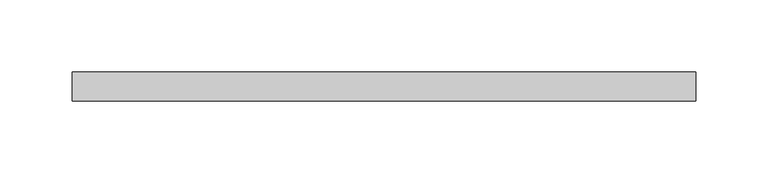
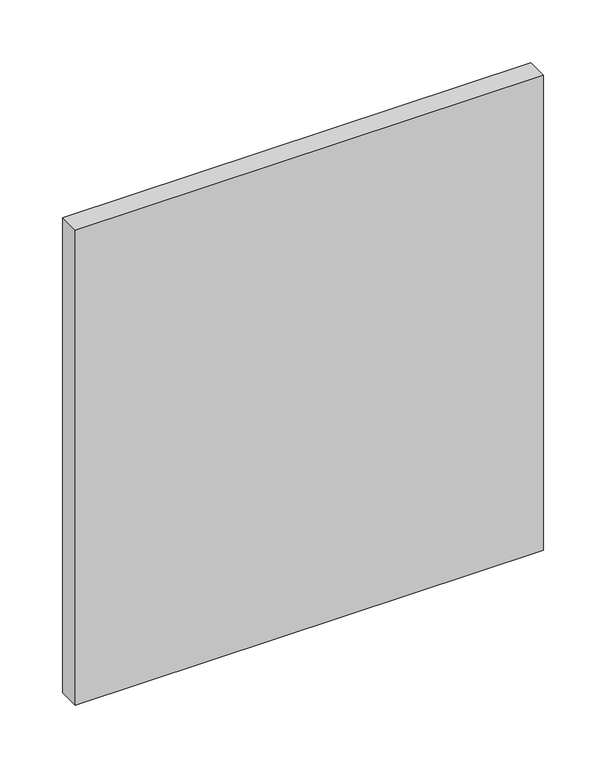
"""IFC4 building model written with IfcOpenShell, lengths in millimetres: plate geometry."""

from ifc_helpers import new_model, si_unit, origin, origin_with_axes, place, context, project, spatial, polyline, outline, extrude, source, transform, mapped, element, save


def plate_6a955bc1(model_context):
    return source(origin(), model_context, "Body", "SweptSolid", [
        extrude(outline(polyline([(215.0, 70.0), (-215.0, 70.0), (-215.0, 90.0), (215.0, 90.0), (215.0, 70.0)])), origin_with_axes(), (0.0, 0.0, 1.0), 461.0),
    ])


if __name__ == "__main__":
    model = new_model("IFC4")
    model_context = context("Model", 3, world=origin())
    ifc_project = project(units=[si_unit("LENGTHUNIT", "METRE", prefix="MILLI")], contexts=[model_context])
    site = spatial("IfcSite", under=ifc_project)
    building = spatial("IfcBuilding", under=site)
    placement = place(None, origin())
    plate_shape = plate_6a955bc1(model_context)
    element("IfcPlate", 1, at=placement, inside=building, context=model_context, shape_type="MappedRepresentation", body=[
        mapped(plate_shape, transform((0.0, 0.0, 0.0), x_axis=(1.0, 0.0, 0.0), y_axis=(0.0, 1.0, 0.0), z_axis=(0.0, 0.0, 1.0))),
    ])
    save(model, "model.ifc")
